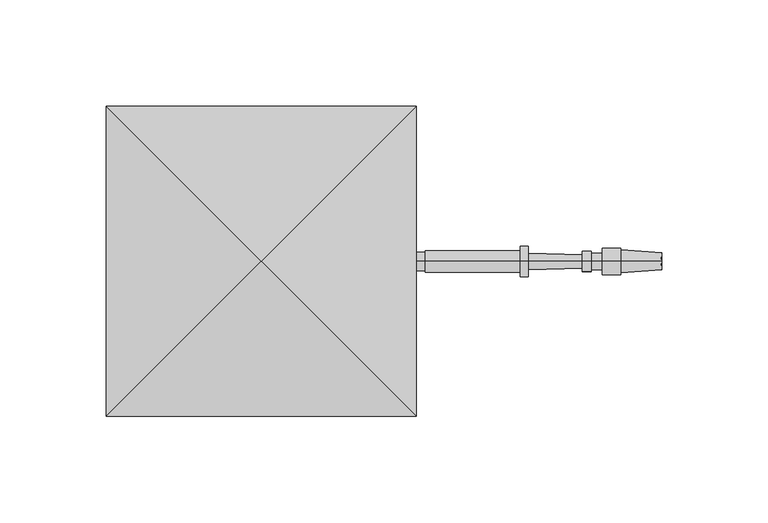
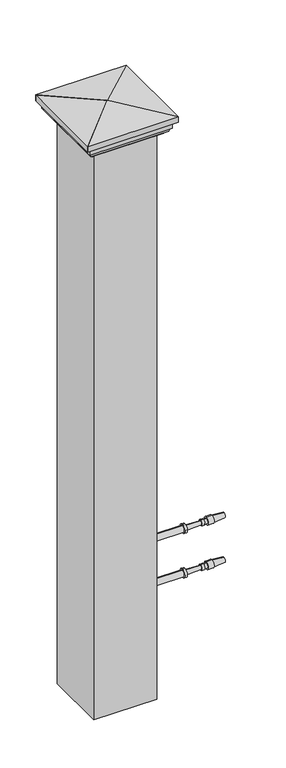
"""IFC4 building model written with IfcOpenShell, lengths in millimetres: railing geometry."""

from ifc_helpers import new_model, si_unit, point, frame, origin, place, context, project, spatial, polyline, circle_curve, ellipse_curve, trimmed, outline, extrude, source, transform, mapped, element, save
from ifc_brep_helpers import plane_surface, cylinder_surface, revolved_surface, advanced_brep


def railing_2a3e4459(model_context):
    return source(origin(), model_context, "Body", "SolidModel", [
        advanced_brep(
        [(1822.6288256, 16706.2866843, 32759.0282881), (1822.6288256, 16706.2866843, 32766.1720381), (1822.6288256, 16706.2866843, 32762.6001631), (1947.5727148, 16706.2866843, 32762.6001631), (1947.8683792, 16706.2866843, 32766.6246235), (1947.8683792, 16706.2866843, 32758.5757028), (1928.5250152, 16706.2866843, 32768.045719), (1928.5250152, 16706.2866843, 32757.1546072), (1928.5250152, 16706.2866843, 32768.9386877), (1928.5250152, 16706.2866843, 32756.2616385), (1919.892984, 16706.2866843, 32768.9386877), (1919.892984, 16706.2866843, 32756.2616385), (1919.892984, 16706.2866843, 32766.5574377), (1919.892984, 16706.2866843, 32758.6428885), (1914.5351715, 16706.2866843, 32766.5574377), (1914.5351715, 16706.2866843, 32758.6428885), (1914.5351715, 16706.2866843, 32767.3511877), (1914.5351715, 16706.2866843, 32757.8491385), (1910.4672027, 16706.2866843, 32767.3511877), (1910.4672027, 16706.2866843, 32757.8491385), (1910.4231156, 16706.2866843, 32765.7643), (1910.4231156, 16706.2866843, 32759.4360262), (1885.0329124, 16706.2866843, 32766.4696944), (1885.0329124, 16706.2866843, 32758.7306319), (1885.0329124, 16706.2866843, 32769.7439131), (1885.0329124, 16706.2866843, 32755.4564131), (1881.0641624, 16706.2866843, 32769.7439131), (1881.0641624, 16706.2866843, 32755.4564131), (1881.0641624, 16706.2866843, 32767.7595381), (1881.0641624, 16706.2866843, 32757.4407881), (1836.3165061, 16706.2866843, 32767.7595381), (1836.3165061, 16706.2866843, 32757.4407881), (1836.3165061, 16706.2866843, 32766.9657881), (1836.3165061, 16706.2866843, 32758.2345381), (1829.9665061, 16706.2866843, 32766.9657881), (1829.9665061, 16706.2866843, 32758.2345381), (1829.9665061, 16706.2866843, 32766.1720381), (1829.9665061, 16706.2866843, 32759.0282881)],
        [
            (0, 1, circle_curve(frame((1822.6288256, 16706.2866843, 32762.6001631), z_axis=(-1.0, 0.0, 0.0), x_axis=(0.0, 0.0, 1.0000000000000002)), 3.571875)),
            (1, 2),
            (2, 0),
            (1, 0, circle_curve(frame((1822.6288256, 16706.2866843, 32762.6001631), z_axis=(-1.0, 0.0, 0.0), x_axis=(0.0, 0.0, 1.0000000000000002)), 3.571875)),
            (3, 4),
            (4, 5, circle_curve(frame((1947.8683792, 16706.2866843, 32762.6001631), z_axis=(1.0, 0.0, 0.0), x_axis=(0.0, 0.0, 1.0000000000000002)), 4.0244604)),
            (5, 3),
            (5, 4, circle_curve(frame((1947.8683792, 16706.2866843, 32762.6001631), z_axis=(1.0, 0.0, 0.0), x_axis=(0.0, 0.0, 1.0000000000000002)), 4.0244604)),
            (4, 6),
            (6, 7, circle_curve(frame((1928.5250152, 16706.2866843, 32762.6001631), z_axis=(1.0, 0.0, 0.0), x_axis=(0.0, 0.0, 1.0000000000000002)), 5.4455559)),
            (7, 5),
            (7, 6, circle_curve(frame((1928.5250152, 16706.2866843, 32762.6001631), z_axis=(1.0, 0.0, 0.0), x_axis=(0.0, 0.0, 1.0000000000000002)), 5.4455559)),
            (6, 8),
            (8, 9, circle_curve(frame((1928.5250152, 16706.2866843, 32762.6001631), z_axis=(1.0, 0.0, 0.0), x_axis=(0.0, 0.0, 1.0000000000000002)), 6.3385246)),
            (9, 7),
            (9, 8, circle_curve(frame((1928.5250152, 16706.2866843, 32762.6001631), z_axis=(1.0, 0.0, 0.0), x_axis=(0.0, 0.0, 1.0000000000000002)), 6.3385246)),
            (8, 10),
            (10, 11, circle_curve(frame((1919.892984, 16706.2866843, 32762.6001631), z_axis=(1.0, 0.0, 0.0), x_axis=(0.0, 0.0, 1.0000000000000002)), 6.3385246)),
            (11, 9),
            (11, 10, circle_curve(frame((1919.892984, 16706.2866843, 32762.6001631), z_axis=(1.0, 0.0, 0.0), x_axis=(0.0, 0.0, 1.0000000000000002)), 6.3385246)),
            (10, 12),
            (12, 13, circle_curve(frame((1919.892984, 16706.2866843, 32762.6001631), z_axis=(1.0, 0.0, 0.0), x_axis=(0.0, 0.0, 1.0000000000000002)), 3.9572746)),
            (13, 11),
            (13, 12, circle_curve(frame((1919.892984, 16706.2866843, 32762.6001631), z_axis=(1.0, 0.0, 0.0), x_axis=(0.0, 0.0, 1.0000000000000002)), 3.9572746)),
            (12, 14),
            (14, 15, circle_curve(frame((1914.5351715, 16706.2866843, 32762.6001631), z_axis=(1.0, 0.0, 0.0), x_axis=(0.0, 0.0, 1.0000000000000002)), 3.9572746)),
            (15, 13),
            (15, 14, circle_curve(frame((1914.5351715, 16706.2866843, 32762.6001631), z_axis=(1.0, 0.0, 0.0), x_axis=(0.0, 0.0, 1.0000000000000002)), 3.9572746)),
            (14, 16),
            (16, 17, circle_curve(frame((1914.5351715, 16706.2866843, 32762.6001631), z_axis=(1.0, 0.0, 0.0), x_axis=(0.0, 0.0, 1.0000000000000002)), 4.7510246)),
            (17, 15),
            (17, 16, circle_curve(frame((1914.5351715, 16706.2866843, 32762.6001631), z_axis=(1.0, 0.0, 0.0), x_axis=(0.0, 0.0, 1.0000000000000002)), 4.7510246)),
            (16, 18),
            (18, 19, circle_curve(frame((1910.4672027, 16706.2866843, 32762.6001631), z_axis=(1.0, 0.0, 0.0), x_axis=(0.0, 0.0, 1.0000000000000002)), 4.7510246)),
            (19, 17),
            (19, 18, circle_curve(frame((1910.4672027, 16706.2866843, 32762.6001631), z_axis=(1.0, 0.0, 0.0), x_axis=(0.0, 0.0, 1.0000000000000002)), 4.7510246)),
            (18, 20),
            (20, 21, circle_curve(frame((1910.4231156, 16706.2866843, 32762.6001631), z_axis=(1.0, 0.0, 0.0), x_axis=(0.0, 0.0, 1.0000000000000002)), 3.1641369)),
            (21, 19),
            (21, 20, circle_curve(frame((1910.4231156, 16706.2866843, 32762.6001631), z_axis=(1.0, 0.0, 0.0), x_axis=(0.0, 0.0, 1.0000000000000002)), 3.1641369)),
            (20, 22),
            (22, 23, circle_curve(frame((1885.0329124, 16706.2866843, 32762.6001631), z_axis=(1.0, 0.0, 0.0), x_axis=(0.0, 0.0, 1.0000000000000002)), 3.8695313)),
            (23, 21),
            (23, 22, circle_curve(frame((1885.0329124, 16706.2866843, 32762.6001631), z_axis=(1.0, 0.0, 0.0), x_axis=(0.0, 0.0, 1.0000000000000002)), 3.8695313)),
            (22, 24),
            (24, 25, circle_curve(frame((1885.0329124, 16706.2866843, 32762.6001631), z_axis=(1.0, 0.0, 0.0), x_axis=(0.0, 0.0, 1.0000000000000002)), 7.14375)),
            (25, 23),
            (25, 24, circle_curve(frame((1885.0329124, 16706.2866843, 32762.6001631), z_axis=(1.0, 0.0, 0.0), x_axis=(0.0, 0.0, 1.0000000000000002)), 7.14375)),
            (24, 26),
            (26, 27, circle_curve(frame((1881.0641624, 16706.2866843, 32762.6001631), z_axis=(1.0, 0.0, 0.0), x_axis=(0.0, 0.0, 1.0000000000000002)), 7.14375)),
            (27, 25),
            (27, 26, circle_curve(frame((1881.0641624, 16706.2866843, 32762.6001631), z_axis=(1.0, 0.0, 0.0), x_axis=(0.0, 0.0, 1.0000000000000002)), 7.14375)),
            (26, 28),
            (28, 29, circle_curve(frame((1881.0641624, 16706.2866843, 32762.6001631), z_axis=(1.0, 0.0, 0.0), x_axis=(0.0, 0.0, 1.0000000000000002)), 5.159375)),
            (29, 27),
            (29, 28, circle_curve(frame((1881.0641624, 16706.2866843, 32762.6001631), z_axis=(1.0, 0.0, 0.0), x_axis=(0.0, 0.0, 1.0000000000000002)), 5.159375)),
            (28, 30),
            (30, 31, circle_curve(frame((1836.3165061, 16706.2866843, 32762.6001631), z_axis=(1.0, 0.0, 0.0), x_axis=(0.0, 0.0, 1.0000000000000002)), 5.159375)),
            (31, 29),
            (31, 30, circle_curve(frame((1836.3165061, 16706.2866843, 32762.6001631), z_axis=(1.0, 0.0, 0.0), x_axis=(0.0, 0.0, 1.0000000000000002)), 5.159375)),
            (30, 32),
            (32, 33, circle_curve(frame((1836.3165061, 16706.2866843, 32762.6001631), z_axis=(1.0, 0.0, 0.0), x_axis=(0.0, 0.0, 1.0000000000000002)), 4.365625)),
            (33, 31),
            (33, 32, circle_curve(frame((1836.3165061, 16706.2866843, 32762.6001631), z_axis=(1.0, 0.0, 0.0), x_axis=(0.0, 0.0, 1.0000000000000002)), 4.365625)),
            (32, 34),
            (34, 35, circle_curve(frame((1829.9665061, 16706.2866843, 32762.6001631), z_axis=(1.0, 0.0, 0.0), x_axis=(0.0, 0.0, 1.0000000000000002)), 4.365625)),
            (35, 33),
            (35, 34, circle_curve(frame((1829.9665061, 16706.2866843, 32762.6001631), z_axis=(1.0, 0.0, 0.0), x_axis=(0.0, 0.0, 1.0000000000000002)), 4.365625)),
            (34, 36),
            (36, 37, circle_curve(frame((1829.9665061, 16706.2866843, 32762.6001631), z_axis=(1.0, 0.0, 0.0), x_axis=(0.0, 0.0, 1.0000000000000002)), 3.571875)),
            (37, 35),
            (37, 36, circle_curve(frame((1829.9665061, 16706.2866843, 32762.6001631), z_axis=(1.0, 0.0, 0.0), x_axis=(0.0, 0.0, 1.0000000000000002)), 3.571875)),
            (36, 1),
            (0, 37),
        ],
        [
            plane_surface(frame((1822.6288256, 16706.2866843, 32762.6001631), z_axis=(-1.0, 0.0, 0.0), x_axis=(0.0, 0.0, 1.0))),
            revolved_surface(polyline([(1947.8683792, 16706.2866843, 32766.6246235), (1947.5727148, 16706.2866843, 32762.6001631)]), (1947.5727148, 16706.2866843, 32762.6001631), (1.0, 0.0, 0.0)),
            revolved_surface(polyline([(1928.5250152, 16706.2866843, 32768.045719), (1947.8683792, 16706.2866843, 32766.6246235)]), (1947.5727148, 16706.2866843, 32762.6001631), (1.0, 0.0, 0.0)),
            plane_surface(frame((1928.5250152, 16706.2866843, 32762.6001631), z_axis=(1.0, 0.0, 0.0), x_axis=(0.0, 0.0, 1.0))),
            cylinder_surface(frame((1947.5727148, 16706.2866843, 32762.6001631), z_axis=(1.0, 0.0, 0.0), x_axis=(0.0, 0.0, 1.0000000000000002)), 6.3385246),
            plane_surface(frame((1919.892984, 16706.2866843, 32762.6001631), z_axis=(-1.0, 0.0, 0.0), x_axis=(0.0, 0.0, 1.0))),
            cylinder_surface(frame((1947.5727148, 16706.2866843, 32762.6001631), z_axis=(1.0, 0.0, 0.0), x_axis=(0.0, 0.0, 1.0000000000000002)), 3.9572746),
            plane_surface(frame((1914.5351715, 16706.2866843, 32762.6001631), z_axis=(1.0, 0.0, 0.0), x_axis=(0.0, 0.0, 1.0))),
            cylinder_surface(frame((1947.5727148, 16706.2866843, 32762.6001631), z_axis=(1.0, 0.0, 0.0), x_axis=(0.0, 0.0, 1.0000000000000002)), 4.7510246),
            plane_surface(frame((1910.4231156, 16706.2866843, 32762.6001631), z_axis=(-1.0, 0.0, 0.0), x_axis=(0.0, 0.0, 1.0))),
            revolved_surface(polyline([(1885.0329124, 16706.2866843, 32766.4696944), (1910.4231156, 16706.2866843, 32765.7643)]), (1947.5727148, 16706.2866843, 32762.6001631), (1.0, 0.0, 0.0)),
            plane_surface(frame((1885.0329124, 16706.2866843, 32762.6001631), z_axis=(1.0, 0.0, 0.0), x_axis=(0.0, 0.0, 1.0))),
            cylinder_surface(frame((1947.5727148, 16706.2866843, 32762.6001631), z_axis=(1.0, 0.0, 0.0), x_axis=(0.0, 0.0, 1.0000000000000002)), 7.14375),
            plane_surface(frame((1881.0641624, 16706.2866843, 32762.6001631), z_axis=(-1.0, 0.0, 0.0), x_axis=(0.0, 0.0, 1.0))),
            cylinder_surface(frame((1947.5727148, 16706.2866843, 32762.6001631), z_axis=(1.0, 0.0, 0.0), x_axis=(0.0, 0.0, 1.0000000000000002)), 5.159375),
            plane_surface(frame((1836.3165061, 16706.2866843, 32762.6001631), z_axis=(-1.0, 0.0, 0.0), x_axis=(0.0, 0.0, 1.0))),
            cylinder_surface(frame((1947.5727148, 16706.2866843, 32762.6001631), z_axis=(1.0, 0.0, 0.0), x_axis=(0.0, 0.0, 1.0000000000000002)), 4.365625),
            plane_surface(frame((1829.9665061, 16706.2866843, 32762.6001631), z_axis=(-1.0, 0.0, 0.0), x_axis=(0.0, 0.0, 1.0))),
            cylinder_surface(frame((1947.5727148, 16706.2866843, 32762.6001631), z_axis=(1.0, 0.0, 0.0), x_axis=(0.0, 0.0, 1.0000000000000002)), 3.571875),
        ],
        [
            (0, [[1, 2, 3]]),
            (0, [[4, -3, -2]]),
            (1, [[5, 6, 7]]),
            (1, [[-7, 8, -5]]),
            (2, [[-6, 9, 10, 11]]),
            (2, [[-8, -11, 12, -9]]),
            (3, [[-10, 13, 14, 15]]),
            (3, [[-12, -15, 16, -13]]),
            (4, [[-14, 17, 18, 19]]),
            (4, [[-16, -19, 20, -17]]),
            (5, [[-18, 21, 22, 23]]),
            (5, [[-20, -23, 24, -21]]),
            (6, [[-22, 25, 26, 27]]),
            (6, [[-24, -27, 28, -25]]),
            (7, [[-26, 29, 30, 31]]),
            (7, [[-28, -31, 32, -29]]),
            (8, [[-30, 33, 34, 35]]),
            (8, [[-32, -35, 36, -33]]),
            (9, [[-34, 37, 38, 39]]),
            (9, [[-36, -39, 40, -37]]),
            (10, [[-38, 41, 42, 43]]),
            (10, [[-40, -43, 44, -41]]),
            (11, [[-42, 45, 46, 47]]),
            (11, [[-44, -47, 48, -45]]),
            (12, [[-46, 49, 50, 51]]),
            (12, [[-48, -51, 52, -49]]),
            (13, [[-50, 53, 54, 55]]),
            (13, [[-52, -55, 56, -53]]),
            (14, [[-54, 57, 58, 59]]),
            (14, [[-56, -59, 60, -57]]),
            (15, [[-58, 61, 62, 63]]),
            (15, [[-60, -63, 64, -61]]),
            (16, [[-62, 65, 66, 67]]),
            (16, [[-64, -67, 68, -65]]),
            (17, [[-66, 69, 70, 71]]),
            (17, [[-68, -71, 72, -69]]),
            (18, [[-70, 73, -1, 74]]),
            (18, [[-72, -74, -4, -73]]),
        ],
    ),
        advanced_brep(
        [(1809.936189, 16706.2866843, 32686.4001631), (1809.936189, 16706.2866843, 32667.3501631), (1809.936189, 16706.2866843, 32705.4501631), (1822.6288256, 16706.2866843, 32680.8769785), (1822.6288256, 16706.2866843, 32686.4001631), (1822.6288256, 16706.2866843, 32691.9233478), (1817.3527292, 16706.2866843, 32677.2720381), (1817.3527292, 16706.2866843, 32695.5282881), (1812.9871042, 16706.2866843, 32671.6458254), (1812.9871042, 16706.2866843, 32701.1545009), (1812.9871042, 16706.2866843, 32667.7762941), (1812.9871042, 16706.2866843, 32705.0240321), (1812.317439, 16706.2866843, 32667.3501631), (1812.317439, 16706.2866843, 32705.4501631)],
        [
            (0, 1),
            (1, 2, circle_curve(frame((1809.936189, 16706.2866843, 32686.4001631), z_axis=(-1.0, 0.0, 0.0), x_axis=(0.0, 0.0, 1.0)), 19.05)),
            (2, 0),
            (2, 1, circle_curve(frame((1809.936189, 16706.2866843, 32686.4001631), z_axis=(-1.0, 0.0, 0.0), x_axis=(0.0, 0.0, 1.0)), 19.05)),
            (3, 4),
            (4, 5),
            (5, 3, circle_curve(frame((1822.6288256, 16706.2866843, 32686.4001631), z_axis=(1.0, 0.0, 0.0), x_axis=(0.0, 0.0, 1.0)), 5.5231846)),
            (3, 5, circle_curve(frame((1822.6288256, 16706.2866843, 32686.4001631), z_axis=(1.0, 0.0, 0.0), x_axis=(0.0, 0.0, 1.0)), 5.5231846)),
            (6, 3, circle_curve(frame((1815.0283205, 16706.2866843, 32686.3374304), z_axis=(0.0, -1.0, 0.0), x_axis=(1.0, 0.0, 0.0)), 9.3586438)),
            (5, 7, circle_curve(frame((1815.0283205, 16706.2866843, 32686.4628958), z_axis=(0.0, -1.0, 0.0), x_axis=(1.0, 0.0, 0.0)), 9.3586438)),
            (7, 6, circle_curve(frame((1817.3527292, 16706.2866843, 32686.4001631), z_axis=(1.0, 0.0, 0.0), x_axis=(0.0, 0.0, 1.0)), 9.128125)),
            (6, 7, circle_curve(frame((1817.3527292, 16706.2866843, 32686.4001631), z_axis=(1.0, 0.0, 0.0), x_axis=(0.0, 0.0, 1.0)), 9.128125)),
            (8, 6, circle_curve(frame((1818.7953162, 16706.2866843, 32671.6458254), z_axis=(0.0, 1.0, 0.0), x_axis=(1.0, 0.0, 0.0)), 5.8082121)),
            (7, 9, circle_curve(frame((1818.7953162, 16706.2866843, 32701.1545009), z_axis=(0.0, 1.0, 0.0), x_axis=(1.0, 0.0, 0.0)), 5.8082121)),
            (9, 8, circle_curve(frame((1812.9871042, 16706.2866843, 32686.4001631), z_axis=(1.0, 0.0, 0.0), x_axis=(0.0, 0.0, 1.0)), 14.7543378)),
            (8, 9, circle_curve(frame((1812.9871042, 16706.2866843, 32686.4001631), z_axis=(1.0, 0.0, 0.0), x_axis=(0.0, 0.0, 1.0)), 14.7543378)),
            (10, 8),
            (9, 11),
            (11, 10, circle_curve(frame((1812.9871042, 16706.2866843, 32686.4001631), z_axis=(1.0, 0.0, 0.0), x_axis=(0.0, 0.0, 1.0)), 18.623869)),
            (10, 11, circle_curve(frame((1812.9871042, 16706.2866843, 32686.4001631), z_axis=(1.0, 0.0, 0.0), x_axis=(0.0, 0.0, 1.0)), 18.623869)),
            (12, 10),
            (11, 13),
            (13, 12, circle_curve(frame((1812.317439, 16706.2866843, 32686.4001631), z_axis=(1.0, 0.0, 0.0), x_axis=(0.0, 0.0, 1.0)), 19.05)),
            (12, 13, circle_curve(frame((1812.317439, 16706.2866843, 32686.4001631), z_axis=(1.0, 0.0, 0.0), x_axis=(0.0, 0.0, 1.0)), 19.05)),
            (1, 12),
            (13, 2),
        ],
        [
            plane_surface(frame((1809.936189, 16706.2866843, 32686.4001631), z_axis=(-1.0, 0.0, 0.0), x_axis=(0.0, 0.0, 1.0))),
            plane_surface(frame((1822.6288256, 16706.2866843, 32686.4001631), z_axis=(1.0, 0.0, 0.0), x_axis=(0.0, 0.0, 1.0))),
            revolved_surface(trimmed(ellipse_curve(frame((1815.0283205, 16706.2866843, 32686.4628958), z_axis=(0.0, -1.0, 0.0), x_axis=(1.0, 0.0, 0.0)), 9.3586438, 9.3586438), [point((1822.6288256, 16706.2866843, 32691.9233478))], [point((1817.3527292, 16706.2866843, 32695.5282881))], True, "CARTESIAN"), (1809.936189, 16706.2866843, 32686.4001631), (-1.0, 0.0, 0.0)),
            revolved_surface(trimmed(ellipse_curve(frame((1818.7953162, 16706.2866843, 32701.1545009), z_axis=(0.0, 1.0, 0.0), x_axis=(1.0, 0.0, 0.0)), 5.8082121, 5.8082121), [point((1817.3527292, 16706.2866843, 32695.5282881))], [point((1812.9871042, 16706.2866843, 32701.1545009))], True, "CARTESIAN"), (1809.936189, 16706.2866843, 32686.4001631), (-1.0, 0.0, 0.0)),
            plane_surface(frame((1812.9871042, 16706.2866843, 32686.4001631), z_axis=(1.0, 0.0, 0.0), x_axis=(0.0, 0.0, 1.0))),
            revolved_surface(polyline([(1812.9871042, 16706.2866843, 32705.0240321), (1812.317439, 16706.2866843, 32705.4501631)]), (1809.936189, 16706.2866843, 32686.4001631), (-1.0, 0.0, 0.0)),
            cylinder_surface(frame((1809.936189, 16706.2866843, 32686.4001631), z_axis=(-1.0, 0.0, 0.0), x_axis=(0.0, 0.0, 1.0)), 19.05),
        ],
        [
            (0, [[1, 2, 3]]),
            (0, [[-3, 4, -1]]),
            (1, [[5, 6, 7]]),
            (1, [[-6, -5, 8]]),
            (2, [[9, -7, 10, 11]]),
            (2, [[-10, -8, -9, 12]]),
            (3, [[13, -11, 14, 15]]),
            (3, [[-14, -12, -13, 16]]),
            (4, [[17, -15, 18, 19]]),
            (4, [[-18, -16, -17, 20]]),
            (5, [[21, -19, 22, 23]]),
            (5, [[-22, -20, -21, 24]]),
            (6, [[25, -23, 26, -2]]),
            (6, [[-26, -24, -25, -4]]),
        ],
    ),
        advanced_brep(
        [(1822.6288256, 16706.2866843, 32682.8282881), (1822.6288256, 16706.2866843, 32689.9720381), (1822.6288256, 16706.2866843, 32686.4001631), (1947.5727148, 16706.2866843, 32686.4001631), (1947.8683792, 16706.2866843, 32690.4246235), (1947.8683792, 16706.2866843, 32682.3757028), (1928.5250152, 16706.2866843, 32691.845719), (1928.5250152, 16706.2866843, 32680.9546072), (1928.5250152, 16706.2866843, 32692.7386877), (1928.5250152, 16706.2866843, 32680.0616385), (1919.892984, 16706.2866843, 32692.7386877), (1919.892984, 16706.2866843, 32680.0616385), (1919.892984, 16706.2866843, 32690.3574377), (1919.892984, 16706.2866843, 32682.4428885), (1914.5351715, 16706.2866843, 32690.3574377), (1914.5351715, 16706.2866843, 32682.4428885), (1914.5351715, 16706.2866843, 32691.1511877), (1914.5351715, 16706.2866843, 32681.6491385), (1910.4672027, 16706.2866843, 32691.1511877), (1910.4672027, 16706.2866843, 32681.6491385), (1910.4231156, 16706.2866843, 32689.5643), (1910.4231156, 16706.2866843, 32683.2360262), (1885.0329124, 16706.2866843, 32690.2696944), (1885.0329124, 16706.2866843, 32682.5306319), (1885.0329124, 16706.2866843, 32693.5439131), (1885.0329124, 16706.2866843, 32679.2564131), (1881.0641624, 16706.2866843, 32693.5439131), (1881.0641624, 16706.2866843, 32679.2564131), (1881.0641624, 16706.2866843, 32691.5595381), (1881.0641624, 16706.2866843, 32681.2407881), (1836.3165061, 16706.2866843, 32691.5595381), (1836.3165061, 16706.2866843, 32681.2407881), (1836.3165061, 16706.2866843, 32690.7657881), (1836.3165061, 16706.2866843, 32682.0345381), (1829.9665061, 16706.2866843, 32690.7657881), (1829.9665061, 16706.2866843, 32682.0345381), (1829.9665061, 16706.2866843, 32689.9720381), (1829.9665061, 16706.2866843, 32682.8282881)],
        [
            (0, 1, circle_curve(frame((1822.6288256, 16706.2866843, 32686.4001631), z_axis=(-1.0, 0.0, 0.0), x_axis=(0.0, 0.0, 1.0000000000000002)), 3.571875)),
            (1, 2),
            (2, 0),
            (1, 0, circle_curve(frame((1822.6288256, 16706.2866843, 32686.4001631), z_axis=(-1.0, 0.0, 0.0), x_axis=(0.0, 0.0, 1.0000000000000002)), 3.571875)),
            (3, 4),
            (4, 5, circle_curve(frame((1947.8683792, 16706.2866843, 32686.4001631), z_axis=(1.0, 0.0, 0.0), x_axis=(0.0, 0.0, 1.0000000000000002)), 4.0244604)),
            (5, 3),
            (5, 4, circle_curve(frame((1947.8683792, 16706.2866843, 32686.4001631), z_axis=(1.0, 0.0, 0.0), x_axis=(0.0, 0.0, 1.0000000000000002)), 4.0244604)),
            (4, 6),
            (6, 7, circle_curve(frame((1928.5250152, 16706.2866843, 32686.4001631), z_axis=(1.0, 0.0, 0.0), x_axis=(0.0, 0.0, 1.0000000000000002)), 5.4455559)),
            (7, 5),
            (7, 6, circle_curve(frame((1928.5250152, 16706.2866843, 32686.4001631), z_axis=(1.0, 0.0, 0.0), x_axis=(0.0, 0.0, 1.0000000000000002)), 5.4455559)),
            (6, 8),
            (8, 9, circle_curve(frame((1928.5250152, 16706.2866843, 32686.4001631), z_axis=(1.0, 0.0, 0.0), x_axis=(0.0, 0.0, 1.0000000000000002)), 6.3385246)),
            (9, 7),
            (9, 8, circle_curve(frame((1928.5250152, 16706.2866843, 32686.4001631), z_axis=(1.0, 0.0, 0.0), x_axis=(0.0, 0.0, 1.0000000000000002)), 6.3385246)),
            (8, 10),
            (10, 11, circle_curve(frame((1919.892984, 16706.2866843, 32686.4001631), z_axis=(1.0, 0.0, 0.0), x_axis=(0.0, 0.0, 1.0000000000000002)), 6.3385246)),
            (11, 9),
            (11, 10, circle_curve(frame((1919.892984, 16706.2866843, 32686.4001631), z_axis=(1.0, 0.0, 0.0), x_axis=(0.0, 0.0, 1.0000000000000002)), 6.3385246)),
            (10, 12),
            (12, 13, circle_curve(frame((1919.892984, 16706.2866843, 32686.4001631), z_axis=(1.0, 0.0, 0.0), x_axis=(0.0, 0.0, 1.0000000000000002)), 3.9572746)),
            (13, 11),
            (13, 12, circle_curve(frame((1919.892984, 16706.2866843, 32686.4001631), z_axis=(1.0, 0.0, 0.0), x_axis=(0.0, 0.0, 1.0000000000000002)), 3.9572746)),
            (12, 14),
            (14, 15, circle_curve(frame((1914.5351715, 16706.2866843, 32686.4001631), z_axis=(1.0, 0.0, 0.0), x_axis=(0.0, 0.0, 1.0000000000000002)), 3.9572746)),
            (15, 13),
            (15, 14, circle_curve(frame((1914.5351715, 16706.2866843, 32686.4001631), z_axis=(1.0, 0.0, 0.0), x_axis=(0.0, 0.0, 1.0000000000000002)), 3.9572746)),
            (14, 16),
            (16, 17, circle_curve(frame((1914.5351715, 16706.2866843, 32686.4001631), z_axis=(1.0, 0.0, 0.0), x_axis=(0.0, 0.0, 1.0000000000000002)), 4.7510246)),
            (17, 15),
            (17, 16, circle_curve(frame((1914.5351715, 16706.2866843, 32686.4001631), z_axis=(1.0, 0.0, 0.0), x_axis=(0.0, 0.0, 1.0000000000000002)), 4.7510246)),
            (16, 18),
            (18, 19, circle_curve(frame((1910.4672027, 16706.2866843, 32686.4001631), z_axis=(1.0, 0.0, 0.0), x_axis=(0.0, 0.0, 1.0000000000000002)), 4.7510246)),
            (19, 17),
            (19, 18, circle_curve(frame((1910.4672027, 16706.2866843, 32686.4001631), z_axis=(1.0, 0.0, 0.0), x_axis=(0.0, 0.0, 1.0000000000000002)), 4.7510246)),
            (18, 20),
            (20, 21, circle_curve(frame((1910.4231156, 16706.2866843, 32686.4001631), z_axis=(1.0, 0.0, 0.0), x_axis=(0.0, 0.0, 1.0000000000000002)), 3.1641369)),
            (21, 19),
            (21, 20, circle_curve(frame((1910.4231156, 16706.2866843, 32686.4001631), z_axis=(1.0, 0.0, 0.0), x_axis=(0.0, 0.0, 1.0000000000000002)), 3.1641369)),
            (20, 22),
            (22, 23, circle_curve(frame((1885.0329124, 16706.2866843, 32686.4001631), z_axis=(1.0, 0.0, 0.0), x_axis=(0.0, 0.0, 1.0000000000000002)), 3.8695313)),
            (23, 21),
            (23, 22, circle_curve(frame((1885.0329124, 16706.2866843, 32686.4001631), z_axis=(1.0, 0.0, 0.0), x_axis=(0.0, 0.0, 1.0000000000000002)), 3.8695313)),
            (22, 24),
            (24, 25, circle_curve(frame((1885.0329124, 16706.2866843, 32686.4001631), z_axis=(1.0, 0.0, 0.0), x_axis=(0.0, 0.0, 1.0000000000000002)), 7.14375)),
            (25, 23),
            (25, 24, circle_curve(frame((1885.0329124, 16706.2866843, 32686.4001631), z_axis=(1.0, 0.0, 0.0), x_axis=(0.0, 0.0, 1.0000000000000002)), 7.14375)),
            (24, 26),
            (26, 27, circle_curve(frame((1881.0641624, 16706.2866843, 32686.4001631), z_axis=(1.0, 0.0, 0.0), x_axis=(0.0, 0.0, 1.0000000000000002)), 7.14375)),
            (27, 25),
            (27, 26, circle_curve(frame((1881.0641624, 16706.2866843, 32686.4001631), z_axis=(1.0, 0.0, 0.0), x_axis=(0.0, 0.0, 1.0000000000000002)), 7.14375)),
            (26, 28),
            (28, 29, circle_curve(frame((1881.0641624, 16706.2866843, 32686.4001631), z_axis=(1.0, 0.0, 0.0), x_axis=(0.0, 0.0, 1.0000000000000002)), 5.159375)),
            (29, 27),
            (29, 28, circle_curve(frame((1881.0641624, 16706.2866843, 32686.4001631), z_axis=(1.0, 0.0, 0.0), x_axis=(0.0, 0.0, 1.0000000000000002)), 5.159375)),
            (28, 30),
            (30, 31, circle_curve(frame((1836.3165061, 16706.2866843, 32686.4001631), z_axis=(1.0, 0.0, 0.0), x_axis=(0.0, 0.0, 1.0000000000000002)), 5.159375)),
            (31, 29),
            (31, 30, circle_curve(frame((1836.3165061, 16706.2866843, 32686.4001631), z_axis=(1.0, 0.0, 0.0), x_axis=(0.0, 0.0, 1.0000000000000002)), 5.159375)),
            (30, 32),
            (32, 33, circle_curve(frame((1836.3165061, 16706.2866843, 32686.4001631), z_axis=(1.0, 0.0, 0.0), x_axis=(0.0, 0.0, 1.0000000000000002)), 4.365625)),
            (33, 31),
            (33, 32, circle_curve(frame((1836.3165061, 16706.2866843, 32686.4001631), z_axis=(1.0, 0.0, 0.0), x_axis=(0.0, 0.0, 1.0000000000000002)), 4.365625)),
            (32, 34),
            (34, 35, circle_curve(frame((1829.9665061, 16706.2866843, 32686.4001631), z_axis=(1.0, 0.0, 0.0), x_axis=(0.0, 0.0, 1.0000000000000002)), 4.365625)),
            (35, 33),
            (35, 34, circle_curve(frame((1829.9665061, 16706.2866843, 32686.4001631), z_axis=(1.0, 0.0, 0.0), x_axis=(0.0, 0.0, 1.0000000000000002)), 4.365625)),
            (34, 36),
            (36, 37, circle_curve(frame((1829.9665061, 16706.2866843, 32686.4001631), z_axis=(1.0, 0.0, 0.0), x_axis=(0.0, 0.0, 1.0000000000000002)), 3.571875)),
            (37, 35),
            (37, 36, circle_curve(frame((1829.9665061, 16706.2866843, 32686.4001631), z_axis=(1.0, 0.0, 0.0), x_axis=(0.0, 0.0, 1.0000000000000002)), 3.571875)),
            (36, 1),
            (0, 37),
        ],
        [
            plane_surface(frame((1822.6288256, 16706.2866843, 32686.4001631), z_axis=(-1.0, 0.0, 0.0), x_axis=(0.0, 0.0, 1.0))),
            revolved_surface(polyline([(1947.8683792, 16706.2866843, 32690.4246235), (1947.5727148, 16706.2866843, 32686.4001631)]), (1947.5727148, 16706.2866843, 32686.4001631), (1.0, 0.0, 0.0)),
            revolved_surface(polyline([(1928.5250152, 16706.2866843, 32691.845719), (1947.8683792, 16706.2866843, 32690.4246235)]), (1947.5727148, 16706.2866843, 32686.4001631), (1.0, 0.0, 0.0)),
            plane_surface(frame((1928.5250152, 16706.2866843, 32686.4001631), z_axis=(1.0, 0.0, 0.0), x_axis=(0.0, 0.0, 1.0))),
            cylinder_surface(frame((1947.5727148, 16706.2866843, 32686.4001631), z_axis=(1.0, 0.0, 0.0), x_axis=(0.0, 0.0, 1.0000000000000002)), 6.3385246),
            plane_surface(frame((1919.892984, 16706.2866843, 32686.4001631), z_axis=(-1.0, 0.0, 0.0), x_axis=(0.0, 0.0, 1.0))),
            cylinder_surface(frame((1947.5727148, 16706.2866843, 32686.4001631), z_axis=(1.0, 0.0, 0.0), x_axis=(0.0, 0.0, 1.0000000000000002)), 3.9572746),
            plane_surface(frame((1914.5351715, 16706.2866843, 32686.4001631), z_axis=(1.0, 0.0, 0.0), x_axis=(0.0, 0.0, 1.0))),
            cylinder_surface(frame((1947.5727148, 16706.2866843, 32686.4001631), z_axis=(1.0, 0.0, 0.0), x_axis=(0.0, 0.0, 1.0000000000000002)), 4.7510246),
            plane_surface(frame((1910.4231156, 16706.2866843, 32686.4001631), z_axis=(-1.0, 0.0, 0.0), x_axis=(0.0, 0.0, 1.0))),
            revolved_surface(polyline([(1885.0329124, 16706.2866843, 32690.2696944), (1910.4231156, 16706.2866843, 32689.5643)]), (1947.5727148, 16706.2866843, 32686.4001631), (1.0, 0.0, 0.0)),
            plane_surface(frame((1885.0329124, 16706.2866843, 32686.4001631), z_axis=(1.0, 0.0, 0.0), x_axis=(0.0, 0.0, 1.0))),
            cylinder_surface(frame((1947.5727148, 16706.2866843, 32686.4001631), z_axis=(1.0, 0.0, 0.0), x_axis=(0.0, 0.0, 1.0000000000000002)), 7.14375),
            plane_surface(frame((1881.0641624, 16706.2866843, 32686.4001631), z_axis=(-1.0, 0.0, 0.0), x_axis=(0.0, 0.0, 1.0))),
            cylinder_surface(frame((1947.5727148, 16706.2866843, 32686.4001631), z_axis=(1.0, 0.0, 0.0), x_axis=(0.0, 0.0, 1.0000000000000002)), 5.159375),
            plane_surface(frame((1836.3165061, 16706.2866843, 32686.4001631), z_axis=(-1.0, 0.0, 0.0), x_axis=(0.0, 0.0, 1.0))),
            cylinder_surface(frame((1947.5727148, 16706.2866843, 32686.4001631), z_axis=(1.0, 0.0, 0.0), x_axis=(0.0, 0.0, 1.0000000000000002)), 4.365625),
            plane_surface(frame((1829.9665061, 16706.2866843, 32686.4001631), z_axis=(-1.0, 0.0, 0.0), x_axis=(0.0, 0.0, 1.0))),
            cylinder_surface(frame((1947.5727148, 16706.2866843, 32686.4001631), z_axis=(1.0, 0.0, 0.0), x_axis=(0.0, 0.0, 1.0000000000000002)), 3.571875),
        ],
        [
            (0, [[1, 2, 3]]),
            (0, [[4, -3, -2]]),
            (1, [[5, 6, 7]]),
            (1, [[-7, 8, -5]]),
            (2, [[-6, 9, 10, 11]]),
            (2, [[-8, -11, 12, -9]]),
            (3, [[-10, 13, 14, 15]]),
            (3, [[-12, -15, 16, -13]]),
            (4, [[-14, 17, 18, 19]]),
            (4, [[-16, -19, 20, -17]]),
            (5, [[-18, 21, 22, 23]]),
            (5, [[-20, -23, 24, -21]]),
            (6, [[-22, 25, 26, 27]]),
            (6, [[-24, -27, 28, -25]]),
            (7, [[-26, 29, 30, 31]]),
            (7, [[-28, -31, 32, -29]]),
            (8, [[-30, 33, 34, 35]]),
            (8, [[-32, -35, 36, -33]]),
            (9, [[-34, 37, 38, 39]]),
            (9, [[-36, -39, 40, -37]]),
            (10, [[-38, 41, 42, 43]]),
            (10, [[-40, -43, 44, -41]]),
            (11, [[-42, 45, 46, 47]]),
            (11, [[-44, -47, 48, -45]]),
            (12, [[-46, 49, 50, 51]]),
            (12, [[-48, -51, 52, -49]]),
            (13, [[-50, 53, 54, 55]]),
            (13, [[-52, -55, 56, -53]]),
            (14, [[-54, 57, 58, 59]]),
            (14, [[-56, -59, 60, -57]]),
            (15, [[-58, 61, 62, 63]]),
            (15, [[-60, -63, 64, -61]]),
            (16, [[-62, 65, 66, 67]]),
            (16, [[-64, -67, 68, -65]]),
            (17, [[-66, 69, 70, 71]]),
            (17, [[-68, -71, 72, -69]]),
            (18, [[-70, 73, -1, 74]]),
            (18, [[-72, -74, -4, -73]]),
        ],
    ),
        extrude(outline(polyline([(1708.3188898, 16655.4866843), (1708.3188898, 16757.0866843), (1809.9188898, 16757.0866843), (1809.9188898, 16655.4866843), (1708.3188898, 16655.4866843)])), frame((0.0, 0.0, 32527.3789062), z_axis=(0.0, 0.0, 1.0), x_axis=(1.0, 0.0, 0.0)), (0.0, 0.0, 1.0), 965.2),
        advanced_brep(
        [(1686.0938898, 16779.3116843, 33527.5039062), (1759.1188898, 16706.2866843, 33537.0289063), (1832.1438898, 16779.3116843, 33527.5039062), (1686.0938898, 16779.3116843, 33517.9789062), (1832.1438898, 16779.3116843, 33517.9789062), (1692.4438898, 16772.9616843, 33517.9789062), (1825.7938898, 16772.9616843, 33517.9789062), (1692.4438898, 16772.9616843, 33506.8203026), (1825.7938898, 16772.9616843, 33506.8203026), (1696.1149835, 16769.2905905, 33500.5164062), (1822.122796, 16769.2905905, 33500.5164062), (1699.2899835, 16766.1155905, 33500.5164062), (1818.947796, 16766.1155905, 33500.5164062), (1705.6399835, 16759.7655905, 33494.1664062), (1812.597796, 16759.7655905, 33494.1664062), (1705.6399835, 16759.7655905, 33492.5789063), (1812.597796, 16759.7655905, 33492.5789063), (1759.1188898, 16706.2866843, 33492.5789063)],
        [
            (0, 1),
            (1, 2),
            (2, 0),
            (3, 0),
            (2, 4),
            (4, 3),
            (5, 3),
            (4, 6),
            (6, 5),
            (7, 5),
            (6, 8),
            (8, 7),
            (9, 7, ellipse_curve(frame((1683.4149835, 16781.9905905, 33497.3414063), z_axis=(-0.7071067811865482, -0.7071067811865469, 0.0), x_axis=(-0.7071067811865468, 0.7071067811865482, 0.0)), 18.5132723, 13.0908604)),
            (8, 10, ellipse_curve(frame((1834.822796, 16781.9905905, 33497.3414063), z_axis=(0.7071067811865459, -0.7071067811865491, 0.0), x_axis=(-0.7071067811865491, -0.7071067811865458, 0.0)), 18.5132723, 13.0908604)),
            (10, 9),
            (11, 9),
            (10, 12),
            (12, 11),
            (13, 11, ellipse_curve(frame((1705.6399835, 16759.7655905, 33500.5164062), z_axis=(0.7071067811865482, 0.7071067811865469, 0.0), x_axis=(0.7071067811865468, -0.7071067811865482, 0.0)), 8.9802561, 6.35)),
            (12, 14, ellipse_curve(frame((1812.597796, 16759.7655905, 33500.5164062), z_axis=(-0.7071067811865459, 0.7071067811865491, 0.0), x_axis=(0.7071067811865491, 0.7071067811865458, 0.0)), 8.9802561, 6.35)),
            (14, 13),
            (15, 13),
            (14, 16),
            (16, 15),
            (17, 15),
            (16, 17),
            (17, 1),
        ],
        [
            plane_surface(frame((1876.3205985, 16779.3116843, 33527.5039062), z_axis=(0.0, 0.12933918406775016, 0.9916004111862241), x_axis=(-1.0, 0.0, 0.0))),
            plane_surface(frame((1876.3205985, 16779.3116843, 33517.9789062), z_axis=(0.0, 1.0, 0.0), x_axis=(-1.0, 0.0, 0.0))),
            plane_surface(frame((1876.3205985, 16772.9616843, 33517.9789062), z_axis=(0.0, 0.0, -1.0), x_axis=(-1.0, 0.0, 0.0))),
            plane_surface(frame((1876.3205985, 16772.9616843, 33506.8203026), z_axis=(0.0, 1.0, 0.0), x_axis=(-1.0, 0.0, 0.0))),
            revolved_surface(polyline([(1670.324123114717, 16768.8997301, 33497.3414063), (1847.913656385283, 16768.8997301, 33497.3414063)]), (1649.8253104, 16781.9905905, 33497.3414063), (-1.0, 0.0, 0.0)),
            plane_surface(frame((1876.3205985, 16766.1155905, 33500.5164062), z_axis=(0.0, 0.0, -1.0), x_axis=(-1.0, 0.0, 0.0))),
            cylinder_surface(frame((1649.8253104, 16759.7655905, 33500.5164062), z_axis=(1.0, 0.0, 0.0), x_axis=(0.0, -1.0, 0.0)), 6.35),
            plane_surface(frame((1876.3205985, 16759.7655905, 33492.5789063), z_axis=(0.0, 1.0, 0.0), x_axis=(-1.0, 0.0, 0.0))),
            plane_surface(frame((1876.3205985, 16706.2866843, 33492.5789063), z_axis=(0.0, 0.0, -1.0), x_axis=(-1.0, 0.0, 0.0))),
            plane_surface(frame((1759.1188898, 16706.2866843, 33721.1789063), z_axis=(-0.7071067811865482, -0.7071067811865469, 0.0), x_axis=(0.0, 0.0, -1.0))),
            plane_surface(frame((1892.4688898, 16839.6366843, 33721.1789063), z_axis=(0.7071067811865459, -0.7071067811865491, 0.0), x_axis=(0.0, 0.0, -1.0))),
        ],
        [
            (0, [[1, 2, 3]]),
            (1, [[4, -3, 5, 6]]),
            (2, [[7, -6, 8, 9]]),
            (3, [[10, -9, 11, 12]]),
            (4, [[13, -12, 14, 15]]),
            (5, [[16, -15, 17, 18]]),
            (6, [[19, -18, 20, 21]]),
            (7, [[22, -21, 23, 24]]),
            (8, [[25, -24, 26]]),
            (9, [[-1, -4, -7, -10, -13, -16, -19, -22, -25, 27]]),
            (10, [[-2, -27, -26, -23, -20, -17, -14, -11, -8, -5]]),
        ],
    ),
        advanced_brep(
        [(1759.1188898, 16706.2866843, 33537.0289063), (1686.0938898, 16633.2616843, 33527.5039062), (1832.1438898, 16633.2616843, 33527.5039062), (1686.0938898, 16633.2616843, 33517.9789062), (1832.1438898, 16633.2616843, 33517.9789062), (1692.4438898, 16639.6116843, 33517.9789062), (1825.7938898, 16639.6116843, 33517.9789062), (1692.4438898, 16639.6116843, 33506.8203026), (1825.7938898, 16639.6116843, 33506.8203026), (1696.1149835, 16643.282778, 33500.5164062), (1822.122796, 16643.282778, 33500.5164062), (1699.2899835, 16646.457778, 33500.5164062), (1818.947796, 16646.457778, 33500.5164062), (1705.6399835, 16652.807778, 33494.1664062), (1812.597796, 16652.807778, 33494.1664062), (1705.6399835, 16652.807778, 33492.5789063), (1812.597796, 16652.807778, 33492.5789063), (1759.1188898, 16706.2866843, 33492.5789063)],
        [
            (0, 1),
            (1, 2),
            (2, 0),
            (1, 3),
            (3, 4),
            (4, 2),
            (3, 5),
            (5, 6),
            (6, 4),
            (5, 7),
            (7, 8),
            (8, 6),
            (7, 9, ellipse_curve(frame((1683.4149835, 16630.582778, 33497.3414063), z_axis=(-0.7071067811865459, 0.7071067811865491, 0.0), x_axis=(-0.7071067811865491, -0.7071067811865458, 0.0)), 18.5132723, 13.0908604)),
            (9, 10),
            (10, 8, ellipse_curve(frame((1834.822796, 16630.582778, 33497.3414063), z_axis=(0.7071067811865481, 0.7071067811865469, 0.0), x_axis=(-0.7071067811865469, 0.707106781186548, 0.0)), 18.5132723, 13.0908604)),
            (9, 11),
            (11, 12),
            (12, 10),
            (11, 13, ellipse_curve(frame((1705.6399835, 16652.807778, 33500.5164062), z_axis=(0.7071067811865459, -0.7071067811865491, 0.0), x_axis=(0.7071067811865491, 0.7071067811865458, 0.0)), 8.9802561, 6.35)),
            (13, 14),
            (14, 12, ellipse_curve(frame((1812.597796, 16652.807778, 33500.5164062), z_axis=(-0.7071067811865481, -0.7071067811865469, 0.0), x_axis=(0.7071067811865469, -0.707106781186548, 0.0)), 8.9802561, 6.35)),
            (13, 15),
            (15, 16),
            (16, 14),
            (15, 17),
            (17, 16),
            (0, 17),
        ],
        [
            plane_surface(frame((1876.3205985, 16706.2866843, 33537.0289063), z_axis=(0.0, -0.12933918406778996, 0.9916004111862189), x_axis=(-1.0, 0.0, 0.0))),
            plane_surface(frame((1876.3205985, 16633.2616843, 33527.5039062), z_axis=(0.0, -1.0, 0.0), x_axis=(-1.0, 0.0, 0.0))),
            plane_surface(frame((1876.3205985, 16633.2616843, 33517.9789062), z_axis=(0.0, 0.0, -1.0), x_axis=(-1.0, 0.0, 0.0))),
            plane_surface(frame((1876.3205985, 16639.6116843, 33517.9789062), z_axis=(0.0, -1.0, 0.0), x_axis=(-1.0, 0.0, 0.0))),
            revolved_surface(polyline([(1670.324123114717, 16643.6736384, 33497.3414063), (1847.913656385283, 16643.6736384, 33497.3414063)]), (1649.8253104, 16630.582778, 33497.3414063), (-1.0, 0.0, 0.0)),
            plane_surface(frame((1876.3205985, 16643.282778, 33500.5164062), z_axis=(0.0, 0.0, -1.0), x_axis=(-1.0, 0.0, 0.0))),
            cylinder_surface(frame((1649.8253104, 16652.807778, 33500.5164062), z_axis=(1.0, 0.0, 0.0), x_axis=(0.0, 1.0, 0.0)), 6.35),
            plane_surface(frame((1876.3205985, 16652.807778, 33494.1664062), z_axis=(0.0, -1.0, 0.0), x_axis=(-1.0, 0.0, 0.0))),
            plane_surface(frame((1876.3205985, 16652.807778, 33492.5789063), z_axis=(0.0, 0.0, -1.0), x_axis=(-1.0, 0.0, 0.0))),
            plane_surface(frame((1649.8253104, 16596.9931049, 33721.1789063), z_axis=(-0.7071067811865459, 0.7071067811865491, 0.0), x_axis=(0.0, 0.0, -1.0))),
            plane_surface(frame((1759.1188898, 16706.2866843, 33721.1789063), z_axis=(0.7071067811865481, 0.7071067811865469, 0.0), x_axis=(0.0, 0.0, -1.0))),
        ],
        [
            (0, [[1, 2, 3]]),
            (1, [[4, 5, 6, -2]]),
            (2, [[7, 8, 9, -5]]),
            (3, [[10, 11, 12, -8]]),
            (4, [[13, 14, 15, -11]]),
            (5, [[16, 17, 18, -14]]),
            (6, [[19, 20, 21, -17]]),
            (7, [[22, 23, 24, -20]]),
            (8, [[25, 26, -23]]),
            (9, [[-1, 27, -25, -22, -19, -16, -13, -10, -7, -4]]),
            (10, [[-3, -6, -9, -12, -15, -18, -21, -24, -26, -27]]),
        ],
    ),
        advanced_brep(
        [(1759.1188898, 16706.2866843, 33537.0289063), (1686.0938898, 16779.3116843, 33527.5039062), (1686.0938898, 16633.2616843, 33527.5039062), (1686.0938898, 16779.3116843, 33517.9789062), (1686.0938898, 16633.2616843, 33517.9789062), (1692.4438898, 16772.9616843, 33517.9789062), (1692.4438898, 16639.6116843, 33517.9789062), (1692.4438898, 16772.9616843, 33506.8203026), (1692.4438898, 16639.6116843, 33506.8203026), (1696.1149835, 16769.2905905, 33500.5164062), (1696.1149835, 16643.282778, 33500.5164062), (1699.2899835, 16766.1155905, 33500.5164062), (1699.2899835, 16646.457778, 33500.5164062), (1705.6399835, 16759.7655905, 33494.1664062), (1705.6399835, 16652.807778, 33494.1664062), (1705.6399835, 16759.7655905, 33492.5789063), (1705.6399835, 16652.807778, 33492.5789063), (1759.1188898, 16706.2866843, 33492.5789063)],
        [
            (0, 1),
            (1, 2),
            (2, 0),
            (1, 3),
            (3, 4),
            (4, 2),
            (3, 5),
            (5, 6),
            (6, 4),
            (5, 7),
            (7, 8),
            (8, 6),
            (7, 9, ellipse_curve(frame((1683.4149835, 16781.9905905, 33497.3414063), z_axis=(0.707106781186548, 0.7071067811865471, 0.0), x_axis=(0.7071067811865471, -0.7071067811865478, 0.0)), 18.5132723, 13.0908604)),
            (9, 10),
            (10, 8, ellipse_curve(frame((1683.4149835, 16630.582778, 33497.3414063), z_axis=(0.707106781186546, -0.707106781186549, 0.0), x_axis=(-0.707106781186549, -0.707106781186546, 0.0)), 18.5132723, 13.0908604)),
            (9, 11),
            (11, 12),
            (12, 10),
            (11, 13, ellipse_curve(frame((1705.6399835, 16759.7655905, 33500.5164062), z_axis=(-0.707106781186548, -0.7071067811865471, 0.0), x_axis=(-0.7071067811865471, 0.7071067811865478, 0.0)), 8.9802561, 6.35)),
            (13, 14),
            (14, 12, ellipse_curve(frame((1705.6399835, 16652.807778, 33500.5164062), z_axis=(-0.707106781186546, 0.707106781186549, 0.0), x_axis=(0.707106781186549, 0.707106781186546, 0.0)), 8.9802561, 6.35)),
            (13, 15),
            (15, 16),
            (16, 14),
            (15, 17),
            (17, 16),
            (0, 17),
        ],
        [
            plane_surface(frame((1686.0938898, 16823.488393, 33527.5039062), z_axis=(-0.1293391840677701, 0.0, 0.9916004111862214), x_axis=(0.0, -1.0, 0.0))),
            plane_surface(frame((1686.0938898, 16823.488393, 33517.9789062), z_axis=(-1.0, 0.0, 0.0), x_axis=(0.0, -1.0, 0.0))),
            plane_surface(frame((1692.4438898, 16823.488393, 33517.9789062), z_axis=(0.0, 0.0, -1.0), x_axis=(0.0, -1.0, 0.0))),
            plane_surface(frame((1692.4438898, 16823.488393, 33506.8203026), z_axis=(-1.0, 0.0, 0.0), x_axis=(0.0, -1.0, 0.0))),
            revolved_surface(polyline([(1696.5058439000002, 16617.491917614716, 33497.3414063), (1696.5058439000002, 16795.081450885285, 33497.3414063)]), (1683.4149835, 16596.9931049, 33497.3414063), (0.0, -1.0, 0.0)),
            plane_surface(frame((1699.2899835, 16823.488393, 33500.5164062), z_axis=(0.0, 0.0, -1.0), x_axis=(0.0, -1.0, 0.0))),
            cylinder_surface(frame((1705.6399835, 16596.9931049, 33500.5164062), z_axis=(0.0, 1.0, 0.0), x_axis=(1.0, 0.0, 0.0)), 6.35),
            plane_surface(frame((1705.6399835, 16823.488393, 33492.5789063), z_axis=(-1.0, 0.0, 0.0), x_axis=(0.0, -1.0, 0.0))),
            plane_surface(frame((1759.1188898, 16823.488393, 33492.5789063), z_axis=(0.0, 0.0, -1.0), x_axis=(0.0, -1.0, 0.0))),
            plane_surface(frame((1641.9171811, 16823.488393, 33721.1789063), z_axis=(0.707106781186548, 0.7071067811865471, 0.0), x_axis=(0.0, 0.0, -1.0))),
            plane_surface(frame((1759.1188898, 16706.2866843, 33721.1789063), z_axis=(0.707106781186546, -0.707106781186549, 0.0), x_axis=(0.0, 0.0, -1.0))),
        ],
        [
            (0, [[1, 2, 3]]),
            (1, [[4, 5, 6, -2]]),
            (2, [[7, 8, 9, -5]]),
            (3, [[10, 11, 12, -8]]),
            (4, [[13, 14, 15, -11]]),
            (5, [[16, 17, 18, -14]]),
            (6, [[19, 20, 21, -17]]),
            (7, [[22, 23, 24, -20]]),
            (8, [[25, 26, -23]]),
            (9, [[-1, 27, -25, -22, -19, -16, -13, -10, -7, -4]]),
            (10, [[-3, -6, -9, -12, -15, -18, -21, -24, -26, -27]]),
        ],
    ),
        advanced_brep(
        [(1832.1438898, 16779.3116843, 33527.5039062), (1759.1188898, 16706.2866843, 33537.0289063), (1832.1438898, 16633.2616843, 33527.5039062), (1832.1438898, 16779.3116843, 33517.9789062), (1832.1438898, 16633.2616843, 33517.9789062), (1825.7938898, 16772.9616843, 33517.9789062), (1825.7938898, 16639.6116843, 33517.9789062), (1825.7938898, 16772.9616843, 33506.8203026), (1825.7938898, 16639.6116843, 33506.8203026), (1822.122796, 16769.2905905, 33500.5164062), (1822.122796, 16643.282778, 33500.5164062), (1818.947796, 16766.1155905, 33500.5164062), (1818.947796, 16646.457778, 33500.5164062), (1812.597796, 16759.7655905, 33494.1664062), (1812.597796, 16652.807778, 33494.1664062), (1812.597796, 16759.7655905, 33492.5789063), (1812.597796, 16652.807778, 33492.5789063), (1759.1188898, 16706.2866843, 33492.5789063)],
        [
            (0, 1),
            (1, 2),
            (2, 0),
            (3, 0),
            (2, 4),
            (4, 3),
            (5, 3),
            (4, 6),
            (6, 5),
            (7, 5),
            (6, 8),
            (8, 7),
            (9, 7, ellipse_curve(frame((1834.822796, 16781.9905905, 33497.3414063), z_axis=(-0.7071067811865459, 0.7071067811865491, 0.0), x_axis=(-0.7071067811865491, -0.707106781186546, 0.0)), 18.5132723, 13.0908604)),
            (8, 10, ellipse_curve(frame((1834.822796, 16630.582778, 33497.3414063), z_axis=(-0.707106781186548, -0.7071067811865471, 0.0), x_axis=(0.7071067811865471, -0.7071067811865478, 0.0)), 18.5132723, 13.0908604)),
            (10, 9),
            (11, 9),
            (10, 12),
            (12, 11),
            (13, 11, ellipse_curve(frame((1812.597796, 16759.7655905, 33500.5164062), z_axis=(0.7071067811865459, -0.7071067811865491, 0.0), x_axis=(0.7071067811865491, 0.707106781186546, 0.0)), 8.9802561, 6.35)),
            (12, 14, ellipse_curve(frame((1812.597796, 16652.807778, 33500.5164062), z_axis=(0.707106781186548, 0.7071067811865471, 0.0), x_axis=(-0.7071067811865471, 0.7071067811865478, 0.0)), 8.9802561, 6.35)),
            (14, 13),
            (15, 13),
            (14, 16),
            (16, 15),
            (17, 15),
            (16, 17),
            (17, 1),
        ],
        [
            plane_surface(frame((1759.1188898, 16823.488393, 33537.0289063), z_axis=(0.12933918406776815, 0.0, 0.9916004111862218), x_axis=(0.0, -1.0, 0.0))),
            plane_surface(frame((1832.1438898, 16823.488393, 33527.5039062), z_axis=(1.0, 0.0, 0.0), x_axis=(0.0, -1.0, 0.0))),
            plane_surface(frame((1832.1438898, 16823.488393, 33517.9789062), z_axis=(0.0, 0.0, -1.0), x_axis=(0.0, -1.0, 0.0))),
            plane_surface(frame((1825.7938898, 16823.488393, 33517.9789062), z_axis=(1.0, 0.0, 0.0), x_axis=(0.0, -1.0, 0.0))),
            revolved_surface(polyline([(1821.7319355999998, 16617.491917614716, 33497.3414063), (1821.7319355999998, 16795.081450885285, 33497.3414063)]), (1834.822796, 16596.9931049, 33497.3414063), (0.0, -1.0, 0.0)),
            plane_surface(frame((1822.122796, 16823.488393, 33500.5164062), z_axis=(0.0, 0.0, -1.0), x_axis=(0.0, -1.0, 0.0))),
            cylinder_surface(frame((1812.597796, 16596.9931049, 33500.5164062), z_axis=(0.0, 1.0, 0.0), x_axis=(-1.0, 0.0, 0.0)), 6.35),
            plane_surface(frame((1812.597796, 16823.488393, 33494.1664062), z_axis=(1.0, 0.0, 0.0), x_axis=(0.0, -1.0, 0.0))),
            plane_surface(frame((1812.597796, 16823.488393, 33492.5789063), z_axis=(0.0, 0.0, -1.0), x_axis=(0.0, -1.0, 0.0))),
            plane_surface(frame((1759.1188898, 16706.2866843, 33721.1789063), z_axis=(-0.7071067811865459, 0.7071067811865491, 0.0), x_axis=(0.0, 0.0, -1.0))),
            plane_surface(frame((1868.4124692, 16596.9931049, 33721.1789063), z_axis=(-0.707106781186548, -0.7071067811865471, 0.0), x_axis=(0.0, 0.0, -1.0))),
        ],
        [
            (0, [[1, 2, 3]]),
            (1, [[4, -3, 5, 6]]),
            (2, [[7, -6, 8, 9]]),
            (3, [[10, -9, 11, 12]]),
            (4, [[13, -12, 14, 15]]),
            (5, [[16, -15, 17, 18]]),
            (6, [[19, -18, 20, 21]]),
            (7, [[22, -21, 23, 24]]),
            (8, [[25, -24, 26]]),
            (9, [[-1, -4, -7, -10, -13, -16, -19, -22, -25, 27]]),
            (10, [[-2, -27, -26, -23, -20, -17, -14, -11, -8, -5]]),
        ],
    ),
    ])


if __name__ == "__main__":
    model = new_model("IFC4")
    model_context = context("Model", 3, world=origin())
    ifc_project = project(units=[si_unit("LENGTHUNIT", "METRE", prefix="MILLI")], contexts=[model_context])
    site = spatial("IfcSite", under=ifc_project)
    building = spatial("IfcBuilding", under=site)
    placement = place(None, origin())
    railing_shape = railing_2a3e4459(model_context)
    element("IfcRailing", 1, at=placement, inside=building, context=model_context, shape_type="MappedRepresentation", body=[
        mapped(railing_shape, transform((0.0, 0.0, 0.0), x_axis=(1.0, 0.0, 0.0), y_axis=(0.0, 1.0, 0.0), z_axis=(0.0, 0.0, 1.0))),
    ])
    save(model, "model.ifc")
